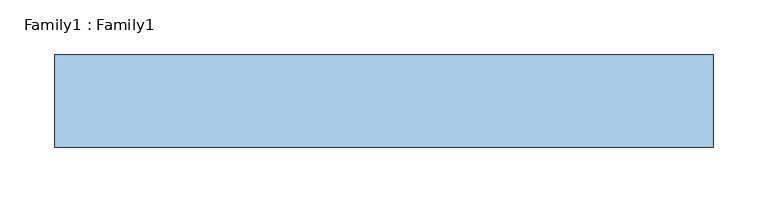
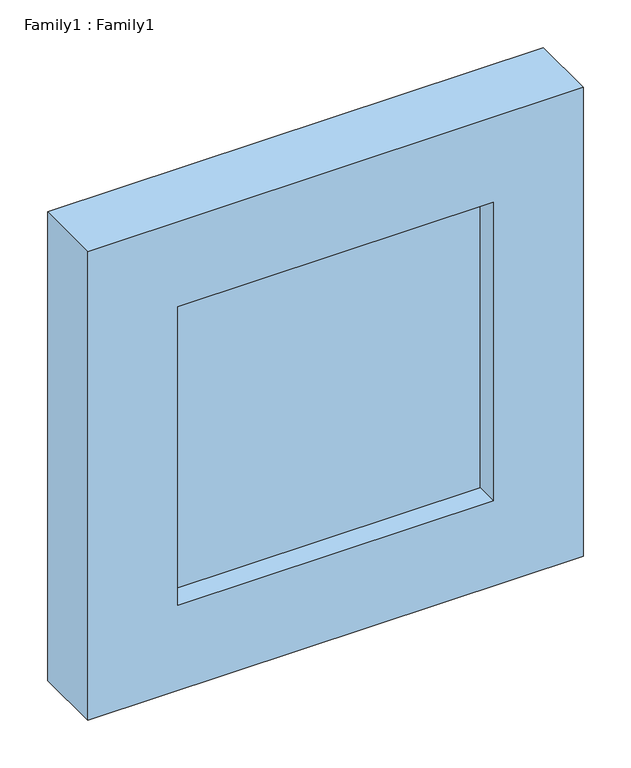
"""IFC4 building model written with IfcOpenShell, lengths in millimetres: window geometry, Family1 : Family1."""

from ifc_helpers import new_model, si_unit, frame, origin, place, context, project, spatial, polyline, outline, extrude, source, transform, mapped, element, save


def family1_family1_f51b81d4(model_context):
    return source(origin(), model_context, "Body", "SweptSolid", [
        extrude(outline(polyline([(191.0, -10.0), (191.0, -14.0), (-191.0, -14.0), (-191.0, -10.0), (191.0, -10.0)])), frame((0.0, 0.0, 909.0), z_axis=(0.0, 0.0, 1.0), x_axis=(1.0, 0.0, 0.0)), (0.0, 0.0, 1.0), 382.0),
        extrude(outline(polyline([(191.0, 14.0), (191.0, 10.0), (-191.0, 10.0), (-191.0, 14.0), (191.0, 14.0)])), frame((0.0, 0.0, 909.0), z_axis=(0.0, 0.0, 1.0), x_axis=(1.0, 0.0, 0.0)), (0.0, 0.0, 1.0), 382.0),
        extrude(outline(polyline([(1400.0, 300.0), (1400.0, -300.0), (800.0, -300.0), (800.0, 300.0), (1400.0, 300.0)]), holes=[polyline([(909.0, 191.0), (909.0, -191.0), (1291.0, -191.0), (1291.0, 191.0), (909.0, 191.0)])]), frame((0.0, -42.0, 0.0), z_axis=(0.0, 1.0, 0.0), x_axis=(0.0, 0.0, 1.0)), (0.0, 0.0, 1.0), 84.0),
    ])


if __name__ == "__main__":
    model = new_model("IFC4")
    model_context = context("Model", 3, world=origin())
    ifc_project = project(units=[si_unit("LENGTHUNIT", "METRE", prefix="MILLI")], contexts=[model_context])
    site = spatial("IfcSite", under=ifc_project)
    building = spatial("IfcBuilding", under=site)
    placement = place(None, origin())
    family1_family1_shape = family1_family1_f51b81d4(model_context)
    element("IfcWindow", 1, ObjectType="Family1 : Family1", at=placement, inside=building, context=model_context, shape_type="MappedRepresentation", body=[
        mapped(family1_family1_shape, transform((0.0, 0.0, 0.0), x_axis=(1.0, 0.0, 0.0), y_axis=(0.0, 1.0, 0.0), z_axis=(0.0, 0.0, 1.0))),
    ])
    save(model, "model.ifc")
